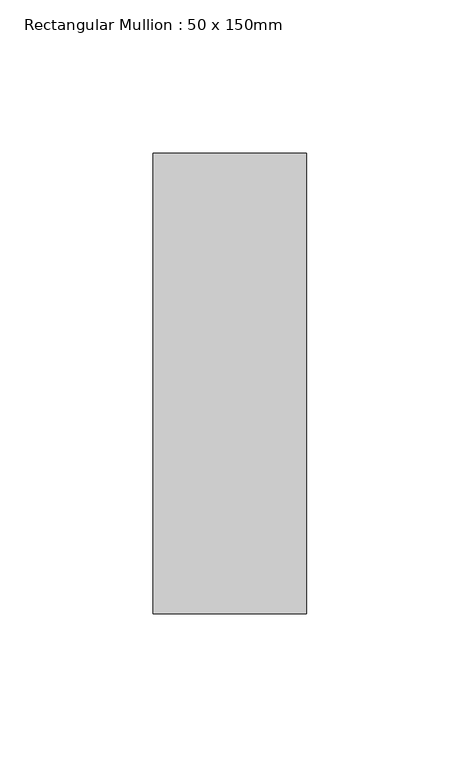
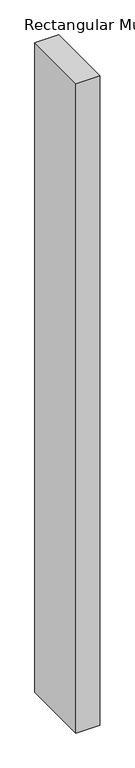
"""IFC4 building model written with IfcOpenShell, lengths in millimetres: member geometry, Rectangular Mullion : 50 x 150mm."""

from ifc_helpers import new_model, si_unit, frame, origin, place, context, project, spatial, polyline, outline, extrude, source, transform, mapped, element, save


def rectangular_mullion_50_x_150mm_f0154c62(model_context):
    return source(origin(), model_context, "Body", "SweptSolid", [
        extrude(outline(polyline([(25.0, 75.0), (25.0, -75.0), (-25.0, -75.0), (-25.0, 75.0), (25.0, 75.0)])), frame((0.0, 0.0, -1450.0), z_axis=(0.0, 0.0, 1.0), x_axis=(1.0, 0.0, 0.0)), (0.0, 0.0, 1.0), 1450.0),
    ])


if __name__ == "__main__":
    model = new_model("IFC4")
    model_context = context("Model", 3, world=origin())
    ifc_project = project(units=[si_unit("LENGTHUNIT", "METRE", prefix="MILLI")], contexts=[model_context])
    site = spatial("IfcSite", under=ifc_project)
    building = spatial("IfcBuilding", under=site)
    placement = place(None, origin())
    rectangular_mullion_50_x_150mm_shape = rectangular_mullion_50_x_150mm_f0154c62(model_context)
    element("IfcMember", 1, ObjectType="Rectangular Mullion : 50 x 150mm", at=placement, inside=building, context=model_context, shape_type="MappedRepresentation", body=[
        mapped(rectangular_mullion_50_x_150mm_shape, transform((0.0, 0.0, 0.0), x_axis=(1.0, 0.0, 0.0), y_axis=(0.0, 1.0, 0.0), z_axis=(0.0, 0.0, 1.0))),
    ])
    save(model, "model.ifc")
